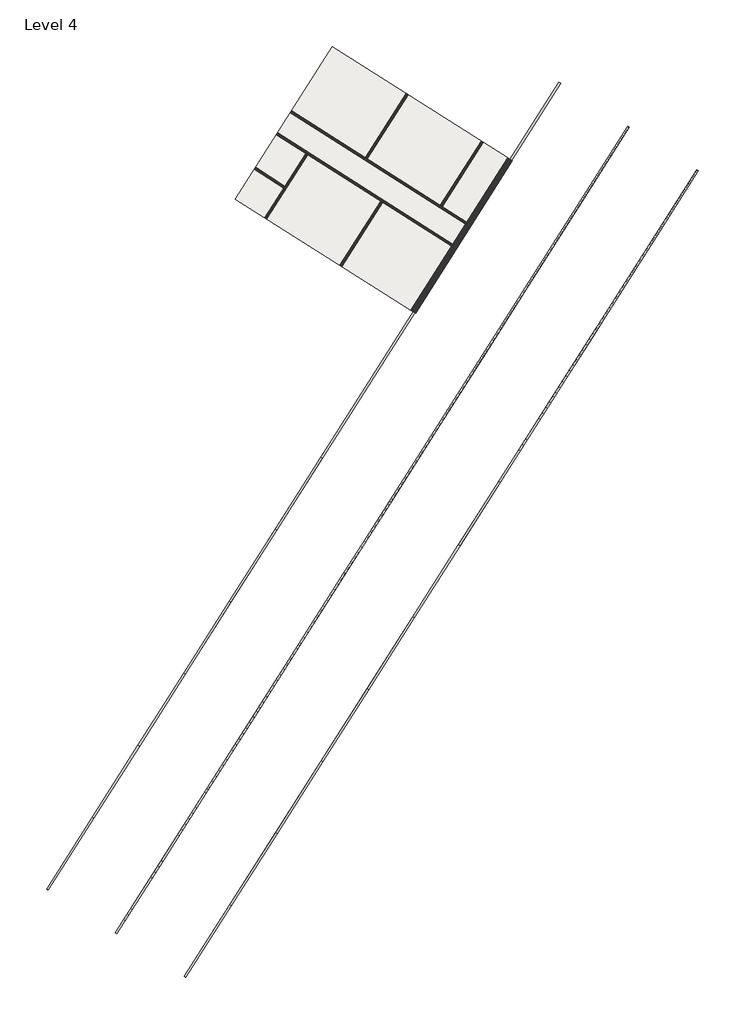
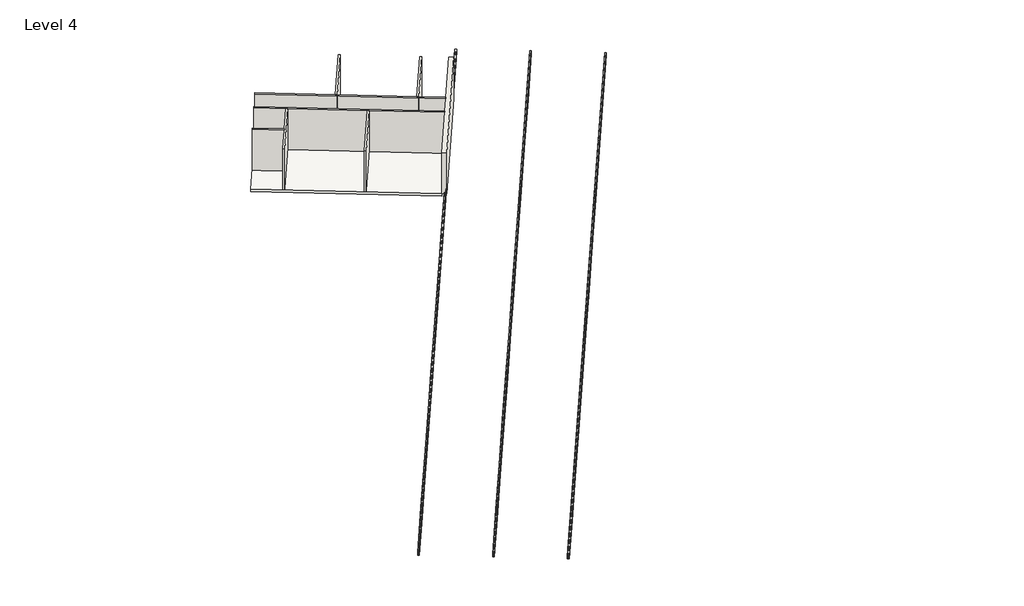
# One storey: 39 beams, 8 walls, 1 slab.
"""IFC4 building model written with IfcOpenShell, lengths in millimetres."""

import ifcopenshell
import ifcopenshell.guid

model = None  # the IFC model being written
_history = None  # IfcOwnerHistory: only IFC2X3 demands one
_inside = {}  # id of a spatial element -> (the spatial element, [elements in it])
_under = {}  # id of a project, library or spatial element -> (it, [spatial elements below it])
_declared = {}  # id of a project -> (the project, [libraries it declares])
_typed = {}  # id of a type object -> (the type object, [elements of that type])
_made_of = {}  # id of a material, layer set ... -> (it, [elements and type objects made of it])


def new_model(schema):
    """Start an empty IFC model of exactly this schema.

    Asked for "IFC4X3", IfcOpenShell would pick the latest addendum, in which some entities
    have other attributes; the version numbers below select the first issue.
    IFC2X3 requires an IfcOwnerHistory on every rooted entity: one is made here for all.
    """
    global model, _history
    if schema == "IFC4X3":
        model = ifcopenshell.file(schema_version=(4, 3, 0, 0))
    else:
        model = ifcopenshell.file(schema=schema)
    _inside.clear()
    _under.clear()
    _declared.clear()
    _typed.clear()
    _made_of.clear()
    _history = None
    if model.schema == "IFC2X3":
        org = make("IfcOrganization", Name="unknown")
        user = make(
            "IfcPersonAndOrganization",
            ThePerson=make("IfcPerson", FamilyName="unknown"),
            TheOrganization=org,
        )
        app = make(
            "IfcApplication",
            ApplicationDeveloper=org,
            Version="unknown",
            ApplicationFullName="unknown",
            ApplicationIdentifier="unknown",
        )
        _history = make(
            "IfcOwnerHistory",
            OwningUser=user,
            OwningApplication=app,
            ChangeAction="ADDED",
            CreationDate=0,
        )
    return model


def make(cls, **values):
    """One entity of the class cls with the attributes given. An attribute that is None is left unset."""
    return model.create_entity(
        cls, **{name: value for name, value in values.items() if value is not None}
    )


def rooted(cls, **values):
    """An entity with a GlobalId (a new one), such as an element, a storey or a relation."""
    return make(cls, GlobalId=ifcopenshell.guid.new(), OwnerHistory=_history, **values)


def si_unit(unit_type, name, prefix=None):
    """IfcSIUnit, for example si_unit("LENGTHUNIT", "METRE", prefix="MILLI")."""
    return make("IfcSIUnit", UnitType=unit_type, Prefix=prefix, Name=name)


def assignment(units):
    """IfcUnitAssignment: the units of a project."""
    return None if units is None else make("IfcUnitAssignment", Units=units)


def point(xyz):
    """IfcCartesianPoint."""
    return None if xyz is None else make("IfcCartesianPoint", Coordinates=xyz)


def direction(xyz):
    """IfcDirection."""
    return None if xyz is None else make("IfcDirection", DirectionRatios=xyz)


def frame(location, z_axis=None, x_axis=None):
    """IfcAxis2Placement3D, a coordinate frame: its origin and axes. An axis left out is left unset."""
    return make(
        "IfcAxis2Placement3D",
        Location=point(location),
        Axis=direction(z_axis),
        RefDirection=direction(x_axis),
    )


def frame_2d(location, x_axis=None):
    """IfcAxis2Placement2D, a coordinate frame in the plane: its origin and x axis."""
    return make(
        "IfcAxis2Placement2D", Location=point(location), RefDirection=direction(x_axis)
    )


def origin():
    """The frame at (0, 0, 0) with its axes left unset."""
    return frame((0.0, 0.0, 0.0))


def place(relative_to, where):
    """IfcLocalPlacement: puts the frame where relative to a parent placement (None: the world)."""
    return make(
        "IfcLocalPlacement", PlacementRelTo=relative_to, RelativePlacement=where
    )


def context(
    kind, dimensions, precision=None, world=None, true_north=None, identifier=None
):
    """IfcGeometricRepresentationContext, for example the 3D "Model" context."""
    return make(
        "IfcGeometricRepresentationContext",
        ContextIdentifier=identifier,
        ContextType=kind,
        CoordinateSpaceDimension=dimensions,
        Precision=precision,
        WorldCoordinateSystem=world,
        TrueNorth=true_north,
    )


def project(units=None, contexts=None):
    """IfcProject with its units and contexts."""
    return rooted(
        "IfcProject",
        Name="project",
        RepresentationContexts=contexts,
        UnitsInContext=assignment(units),
    )


def spatial(cls, under=None, at=None, **own):
    """A site, building, storey or space (cls), placed at a placement, below another one or the project."""
    s = rooted(cls, ObjectPlacement=at, **own)
    if under is not None:
        _under.setdefault(under.id(), (under, []))[1].append(s)
    return s


def polyline(points):
    """IfcPolyline through the points."""
    return make("IfcPolyline", Points=[point(p) for p in points])


def circle_curve(where, radius):
    """IfcCircle in the frame where."""
    return make("IfcCircle", Position=where, Radius=radius)


def trimmed(basis, trim1, trim2, sense, master):
    """IfcTrimmedCurve: the piece of a basis curve between two trims."""
    return make(
        "IfcTrimmedCurve",
        BasisCurve=basis,
        Trim1=trim1,
        Trim2=trim2,
        SenseAgreement=sense,
        MasterRepresentation=master,
    )


def segment(curve, same_sense, transition):
    """IfcCompositeCurveSegment."""
    return make(
        "IfcCompositeCurveSegment",
        Transition=transition,
        SameSense=same_sense,
        ParentCurve=curve,
    )


def composite_curve(segments, self_intersect=None):
    """IfcCompositeCurve: segments joined end to end."""
    return make("IfcCompositeCurve", Segments=segments, SelfIntersect=self_intersect)


def outline(outer, holes=None, kind="AREA"):
    """IfcArbitraryClosedProfileDef: a profile drawn as a closed curve; with holes, ...WithVoids."""
    if holes is None:
        return make("IfcArbitraryClosedProfileDef", ProfileType=kind, OuterCurve=outer)
    return make(
        "IfcArbitraryProfileDefWithVoids",
        ProfileType=kind,
        OuterCurve=outer,
        InnerCurves=holes,
    )


def extrude(swept, where, along, depth):
    """IfcExtrudedAreaSolid: the profile swept, set in the frame where, extruded along a direction by depth."""
    return make(
        "IfcExtrudedAreaSolid",
        SweptArea=swept,
        Position=where,
        ExtrudedDirection=direction(along),
        Depth=depth,
    )


def faces_of(points, faces, orient=None, outer=None):
    """IfcFace entities. A face is a list of loops; a loop is a list of indices into points, from 0.

    orient and outer hold one flag for each loop. By default every Orientation is true, the
    first loop of a face is its IfcFaceOuterBound and the others are IfcFaceBound.
    """
    made = []
    for i, loops in enumerate(faces):
        bounds = []
        for j, loop in enumerate(loops):
            is_outer = j == 0 if outer is None else outer[i][j]
            bounds.append(
                make(
                    "IfcFaceOuterBound" if is_outer else "IfcFaceBound",
                    Bound=make("IfcPolyLoop", Polygon=[points[k] for k in loop]),
                    Orientation=True if orient is None else orient[i][j],
                )
            )
        made.append(make("IfcFace", Bounds=bounds))
    return made


def faceted_brep(points, faces, orient=None, outer=None, voids=None):
    """IfcFacetedBrep: a solid bounded by flat faces; with voids (closed shells), ...WithVoids."""
    shared = [point(p) for p in points]
    hull = make("IfcClosedShell", CfsFaces=faces_of(shared, faces, orient, outer))
    if voids is None:
        return make("IfcFacetedBrep", Outer=hull)
    return make(
        "IfcFacetedBrepWithVoids",
        Outer=hull,
        Voids=[
            make(cls, CfsFaces=faces_of(shared, fs, o, b)) for cls, fs, o, b in voids
        ],
    )


def shape(context_of_items, identifier, shape_type, items):
    """IfcShapeRepresentation: the items that make up one representation, for example the "Body"."""
    return make(
        "IfcShapeRepresentation",
        ContextOfItems=context_of_items,
        RepresentationIdentifier=identifier,
        RepresentationType=shape_type,
        Items=items,
    )


def source(mapping_origin, context_of_items, identifier, shape_type, items):
    """IfcRepresentationMap: a shape defined once, which mapped items show again and again."""
    return make(
        "IfcRepresentationMap",
        MappingOrigin=mapping_origin,
        MappedRepresentation=shape(context_of_items, identifier, shape_type, items),
    )


def transform(
    local_origin,
    x_axis=None,
    y_axis=None,
    z_axis=None,
    scale=None,
    scale2=None,
    scale3=None,
    uniform=True,
):
    """IfcCartesianTransformationOperator3D, or its non-uniform kind. x_axis, y_axis, z_axis: its Axis1, 2, 3."""
    if uniform:
        return make(
            "IfcCartesianTransformationOperator3D",
            Axis1=direction(x_axis),
            Axis2=direction(y_axis),
            LocalOrigin=point(local_origin),
            Scale=scale,
            Axis3=direction(z_axis),
        )
    return make(
        "IfcCartesianTransformationOperator3DnonUniform",
        Axis1=direction(x_axis),
        Axis2=direction(y_axis),
        LocalOrigin=point(local_origin),
        Scale=scale,
        Axis3=direction(z_axis),
        Scale2=scale2,
        Scale3=scale3,
    )


def mapped(mapping_source, mapping_target):
    """IfcMappedItem: shows the shape of a source again, moved by a transform."""
    return make(
        "IfcMappedItem", MappingSource=mapping_source, MappingTarget=mapping_target
    )


def made_of(thing, what):
    """Note that an element or type object is made of a material, layer set ...; save() writes the relation."""
    if what is not None:
        _made_of.setdefault(what.id(), (what, []))[1].append(thing)
    return thing


def element(
    cls,
    number,
    at=None,
    inside=None,
    cuts=None,
    type_object=None,
    material=None,
    context=None,
    identifier="Body",
    shape_type=None,
    held_by="IfcProductDefinitionShape",
    body=None,
    shapes=None,
    **own,
):
    """One element of the class cls, such as IfcWall. Its Tag is "e" and its number.

    at: its placement. inside: the storey or other place that contains it. cuts: it is an
    opening in that element (IfcRelVoidsElement). A single representation is given by context,
    identifier, shape_type and body (its items); several are given by shapes. held_by: the class
    of the entity that holds the representations. save() writes the other relations.
    """
    e = rooted(cls, Tag="e%d" % number, ObjectPlacement=at, **own)
    if body is not None:
        shapes = [shape(context, identifier, shape_type, body)]
    if shapes is not None:
        e.Representation = make(held_by, Representations=shapes)
    if inside is not None:
        _inside.setdefault(inside.id(), (inside, []))[1].append(e)
    if cuts is not None:
        rooted(
            "IfcRelVoidsElement", RelatingBuildingElement=cuts, RelatedOpeningElement=e
        )
    if type_object is not None:
        _typed.setdefault(type_object.id(), (type_object, []))[1].append(e)
    return made_of(e, material)


def aggregate(whole, parts):
    """IfcRelAggregates: a whole, such as a stair, and the parts it consists of."""
    return rooted("IfcRelAggregates", RelatingObject=whole, RelatedObjects=parts)


def save(model, path):
    """Write the relations noted so far, then the file.

    IfcRelAggregates (storeys below a building ...), IfcRelContainedInSpatialStructure (elements
    in a storey), IfcRelDefinesByType, IfcRelAssociatesMaterial and IfcRelDeclares: one each for
    every whole, place, type object, material and project.
    """
    for whole, parts in _under.values():
        aggregate(whole, parts)
    for where, things in _inside.values():
        rooted(
            "IfcRelContainedInSpatialStructure",
            RelatedElements=things,
            RelatingStructure=where,
        )
    for kind, things in _typed.values():
        rooted("IfcRelDefinesByType", RelatedObjects=things, RelatingType=kind)
    for what, things in _made_of.values():
        rooted("IfcRelAssociatesMaterial", RelatedObjects=things, RelatingMaterial=what)
    for by, libraries in _declared.values():
        rooted("IfcRelDeclares", RelatingContext=by, RelatedDefinitions=libraries)
    model.write(path)


def w_shapes_w12x26_15bb6a58(model_context):
    return source(origin(), model_context, "Body", "SweptSolid", [
        extrude(outline(composite_curve([segment(polyline([(82.423, -145.288), (82.423, -154.94), (-82.423, -154.94), (-82.423, -145.288), (-10.541, -145.288)]), True, "CONTINUOUS"), segment(trimmed(circle_curve(frame_2d((-10.541, -137.668)), 7.62), [point((-10.541, -145.288))], [point((-2.921, -137.668))], True, "CARTESIAN"), True, "CONTINUOUS"), segment(polyline([(-2.921, -137.668), (-2.921, 137.668)]), True, "CONTINUOUS"), segment(trimmed(circle_curve(frame_2d((-10.541, 137.668)), 7.62), [point((-2.921, 137.668))], [point((-10.541, 145.288))], True, "CARTESIAN"), True, "CONTINUOUS"), segment(polyline([(-10.541, 145.288), (-82.423, 145.288), (-82.423, 154.94), (82.423, 154.94), (82.423, 145.288), (10.541, 145.288)]), True, "CONTINUOUS"), segment(trimmed(circle_curve(frame_2d((10.541, 137.668)), 7.62), [point((10.541, 145.288))], [point((2.921, 137.668))], True, "CARTESIAN"), True, "CONTINUOUS"), segment(polyline([(2.921, 137.668), (2.921, -137.668)]), True, "CONTINUOUS"), segment(trimmed(circle_curve(frame_2d((10.541, -137.668)), 7.62), [point((2.921, -137.668))], [point((10.541, -145.288))], True, "CARTESIAN"), True, "CONTINUOUS"), segment(polyline([(10.541, -145.288), (82.423, -145.288)]), True, "CONTINUOUS")], self_intersect=False)), frame((-3810.0, 0.0, 0.0), z_axis=(1.0, 0.0, 0.0), x_axis=(0.0, 1.0, 0.0)), (0.0, 0.0, 1.0), 7620.0),
    ])


def w_shapes_w12x26_39ca322a(model_context):
    return source(origin(), model_context, "Body", "SweptSolid", [
        extrude(outline(composite_curve([segment(polyline([(82.423, -145.288), (82.423, -154.94), (-82.423, -154.94), (-82.423, -145.288), (-10.541, -145.288)]), True, "CONTINUOUS"), segment(trimmed(circle_curve(frame_2d((-10.541, -137.668)), 7.62), [point((-10.541, -145.288))], [point((-2.921, -137.668))], True, "CARTESIAN"), True, "CONTINUOUS"), segment(polyline([(-2.921, -137.668), (-2.921, 137.668)]), True, "CONTINUOUS"), segment(trimmed(circle_curve(frame_2d((-10.541, 137.668)), 7.62), [point((-2.921, 137.668))], [point((-10.541, 145.288))], True, "CARTESIAN"), True, "CONTINUOUS"), segment(polyline([(-10.541, 145.288), (-82.423, 145.288), (-82.423, 154.94), (82.423, 154.94), (82.423, 145.288), (10.541, 145.288)]), True, "CONTINUOUS"), segment(trimmed(circle_curve(frame_2d((10.541, 137.668)), 7.62), [point((10.541, 145.288))], [point((2.921, 137.668))], True, "CARTESIAN"), True, "CONTINUOUS"), segment(polyline([(2.921, 137.668), (2.921, -137.668)]), True, "CONTINUOUS"), segment(trimmed(circle_curve(frame_2d((10.541, -137.668)), 7.62), [point((2.921, -137.668))], [point((10.541, -145.288))], True, "CARTESIAN"), True, "CONTINUOUS"), segment(polyline([(10.541, -145.288), (82.423, -145.288)]), True, "CONTINUOUS")], self_intersect=False)), frame((-3505.2, 0.0, 0.0), z_axis=(1.0, 0.0, 0.0), x_axis=(0.0, 1.0, 0.0)), (0.0, 0.0, 1.0), 7010.4),
    ])


def w_shapes_w12x26_55d035bc(model_context):
    return source(origin(), model_context, "Body", "SweptSolid", [
        extrude(outline(composite_curve([segment(polyline([(82.423, -145.288), (82.423, -154.94), (-82.423, -154.94), (-82.423, -145.288), (-10.541, -145.288)]), True, "CONTINUOUS"), segment(trimmed(circle_curve(frame_2d((-10.541, -137.668)), 7.62), [point((-10.541, -145.288))], [point((-2.921, -137.668))], True, "CARTESIAN"), True, "CONTINUOUS"), segment(polyline([(-2.921, -137.668), (-2.921, 137.668)]), True, "CONTINUOUS"), segment(trimmed(circle_curve(frame_2d((-10.541, 137.668)), 7.62), [point((-2.921, 137.668))], [point((-10.541, 145.288))], True, "CARTESIAN"), True, "CONTINUOUS"), segment(polyline([(-10.541, 145.288), (-82.423, 145.288), (-82.423, 154.94), (82.423, 154.94), (82.423, 145.288), (10.541, 145.288)]), True, "CONTINUOUS"), segment(trimmed(circle_curve(frame_2d((10.541, 137.668)), 7.62), [point((10.541, 145.288))], [point((2.921, 137.668))], True, "CARTESIAN"), True, "CONTINUOUS"), segment(polyline([(2.921, 137.668), (2.921, -137.668)]), True, "CONTINUOUS"), segment(trimmed(circle_curve(frame_2d((10.541, -137.668)), 7.62), [point((2.921, -137.668))], [point((10.541, -145.288))], True, "CARTESIAN"), True, "CONTINUOUS"), segment(polyline([(10.541, -145.288), (82.423, -145.288)]), True, "CONTINUOUS")], self_intersect=False)), frame((-1255.6862414, 0.0, 0.0), z_axis=(1.0, 0.0, 0.0), x_axis=(0.0, 1.0, 0.0)), (0.0, 0.0, 1.0), 2511.3724828),
    ])


def w_shapes_w12x26_8c631c25(model_context):
    return source(origin(), model_context, "Body", "SweptSolid", [
        extrude(outline(composite_curve([segment(polyline([(82.423, -145.288), (82.423, -154.94), (-82.423, -154.94), (-82.423, -145.288), (-10.541, -145.288)]), True, "CONTINUOUS"), segment(trimmed(circle_curve(frame_2d((-10.541, -137.668)), 7.62), [point((-10.541, -145.288))], [point((-2.921, -137.668))], True, "CARTESIAN"), True, "CONTINUOUS"), segment(polyline([(-2.921, -137.668), (-2.921, 137.668)]), True, "CONTINUOUS"), segment(trimmed(circle_curve(frame_2d((-10.541, 137.668)), 7.62), [point((-2.921, 137.668))], [point((-10.541, 145.288))], True, "CARTESIAN"), True, "CONTINUOUS"), segment(polyline([(-10.541, 145.288), (-82.423, 145.288), (-82.423, 154.94), (82.423, 154.94), (82.423, 145.288), (10.541, 145.288)]), True, "CONTINUOUS"), segment(trimmed(circle_curve(frame_2d((10.541, 137.668)), 7.62), [point((10.541, 145.288))], [point((2.921, 137.668))], True, "CARTESIAN"), True, "CONTINUOUS"), segment(polyline([(2.921, 137.668), (2.921, -137.668)]), True, "CONTINUOUS"), segment(trimmed(circle_curve(frame_2d((10.541, -137.668)), 7.62), [point((2.921, -137.668))], [point((10.541, -145.288))], True, "CARTESIAN"), True, "CONTINUOUS"), segment(polyline([(10.541, -145.288), (82.423, -145.288)]), True, "CONTINUOUS")], self_intersect=False)), frame((-3962.4, 0.0, 0.0), z_axis=(1.0, 0.0, 0.0), x_axis=(0.0, 1.0, 0.0)), (0.0, 0.0, 1.0), 7924.8),
    ])


def w_shapes_w12x26_d6ac2c25(model_context):
    return source(origin(), model_context, "Body", "SweptSolid", [
        extrude(outline(composite_curve([segment(polyline([(82.423, -145.288), (82.423, -154.94), (-82.423, -154.94), (-82.423, -145.288), (-10.541, -145.288)]), True, "CONTINUOUS"), segment(trimmed(circle_curve(frame_2d((-10.541, -137.668)), 7.62), [point((-10.541, -145.288))], [point((-2.921, -137.668))], True, "CARTESIAN"), True, "CONTINUOUS"), segment(polyline([(-2.921, -137.668), (-2.921, 137.668)]), True, "CONTINUOUS"), segment(trimmed(circle_curve(frame_2d((-10.541, 137.668)), 7.62), [point((-2.921, 137.668))], [point((-10.541, 145.288))], True, "CARTESIAN"), True, "CONTINUOUS"), segment(polyline([(-10.541, 145.288), (-82.423, 145.288), (-82.423, 154.94), (82.423, 154.94), (82.423, 145.288), (10.541, 145.288)]), True, "CONTINUOUS"), segment(trimmed(circle_curve(frame_2d((10.541, 137.668)), 7.62), [point((10.541, 145.288))], [point((2.921, 137.668))], True, "CARTESIAN"), True, "CONTINUOUS"), segment(polyline([(2.921, 137.668), (2.921, -137.668)]), True, "CONTINUOUS"), segment(trimmed(circle_curve(frame_2d((10.541, -137.668)), 7.62), [point((2.921, -137.668))], [point((10.541, -145.288))], True, "CARTESIAN"), True, "CONTINUOUS"), segment(polyline([(10.541, -145.288), (82.423, -145.288)]), True, "CONTINUOUS")], self_intersect=False)), frame((-42708.4862414, 0.0, 0.0), z_axis=(1.0, 0.0, 0.0), x_axis=(0.0, 1.0, 0.0)), (0.0, 0.0, 1.0), 85416.9724828),
    ])


model = new_model("IFC4")

# Units and contexts
model_context = context("Model", 3, world=origin())
ifc_project = project(units=[si_unit("LENGTHUNIT", "METRE", prefix="MILLI")], contexts=[model_context])

# Site, building, storey
site = spatial("IfcSite", under=ifc_project)
building = spatial("IfcBuilding", under=site)
storey = spatial("IfcBuildingStorey", under=building, Name="Level 4", Elevation=14630.4)

# Beams
placement = place(None, origin())
w_shapes_w12x26_shape = w_shapes_w12x26_15bb6a58(model_context)
element("IfcBeam", 1, ObjectType="W Shapes : W12X26", at=placement, inside=storey, context=model_context, shape_type="MappedRepresentation", body=[
    mapped(w_shapes_w12x26_shape, transform((539786.5245711, 179169.6042116, 14630.4), x_axis=(-0.536235508408265, -0.8440684092667666, 0.0), y_axis=(0.8440684092667666, -0.536235508408265, 0.0), z_axis=(0.0, 0.0, 1.0))),
])
element("IfcBeam", 2, ObjectType="W Shapes : W12X26", at=placement, inside=storey, context=model_context, shape_type="MappedRepresentation", body=[
    mapped(w_shapes_w12x26_shape, transform((543872.6391452, 185601.4054902, 14630.4), x_axis=(-0.536235508408264, -0.8440684092667671, 0.0), y_axis=(0.8440684092667671, -0.536235508408264, 0.0), z_axis=(0.0, 0.0, 1.0))),
])
element("IfcBeam", 3, ObjectType="W Shapes : W12X26", at=placement, inside=storey, context=model_context, shape_type="MappedRepresentation", body=[
    mapped(w_shapes_w12x26_shape, transform((547958.7537192, 192033.2067688, 14630.4), x_axis=(-0.536235508408281, -0.8440684092667563, 0.0), y_axis=(0.8440684092667563, -0.536235508408281, 0.0), z_axis=(0.0, 0.0, 1.0))),
])
element("IfcBeam", 4, ObjectType="W Shapes : W12X26", at=placement, inside=storey, context=model_context, shape_type="MappedRepresentation", body=[
    mapped(w_shapes_w12x26_shape, transform((552044.8682933, 198465.0080474, 14630.4), x_axis=(-0.5362355084082578, -0.8440684092667711, 0.0), y_axis=(0.8440684092667711, -0.5362355084082578, 0.0), z_axis=(0.0, 0.0, 1.0))),
])
element("IfcBeam", 5, ObjectType="W Shapes : W12X26", at=placement, inside=storey, context=model_context, shape_type="MappedRepresentation", body=[
    mapped(w_shapes_w12x26_shape, transform((556130.9828674, 204896.809326, 14630.4), x_axis=(-0.5362355084082746, -0.8440684092667603, 0.0), y_axis=(0.8440684092667603, -0.5362355084082746, 0.0), z_axis=(0.0, 0.0, 1.0))),
])
element("IfcBeam", 6, ObjectType="W Shapes : W12X26", at=placement, inside=storey, context=model_context, shape_type="MappedRepresentation", body=[
    mapped(w_shapes_w12x26_shape, transform((560217.0974414, 211328.6106046, 14630.4), x_axis=(-0.5362355084082643, -0.8440684092667669, 0.0), y_axis=(0.8440684092667669, -0.5362355084082643, 0.0), z_axis=(0.0, 0.0, 1.0))),
])
element("IfcBeam", 7, ObjectType="W Shapes : W12X26", at=placement, inside=storey, context=model_context, shape_type="MappedRepresentation", body=[
    mapped(w_shapes_w12x26_shape, transform((564303.2120155, 217760.4118832, 14630.4), x_axis=(-0.536235508408262, -0.8440684092667683, 0.0), y_axis=(0.8440684092667683, -0.536235508408262, 0.0), z_axis=(0.0, 0.0, 1.0))),
])
element("IfcBeam", 8, ObjectType="W Shapes : W12X26", at=placement, inside=storey, context=model_context, shape_type="MappedRepresentation", body=[
    mapped(w_shapes_w12x26_shape, transform((568389.3265896, 224192.2131618, 14630.4), x_axis=(-0.5362355084082807, -0.8440684092667564, 0.0), y_axis=(0.8440684092667564, -0.5362355084082807, 0.0), z_axis=(0.0, 0.0, 1.0))),
])
element("IfcBeam", 9, ObjectType="W Shapes : W12X26", at=placement, inside=storey, context=model_context, shape_type="MappedRepresentation", body=[
    mapped(w_shapes_w12x26_shape, transform((533633.4346812, 183078.6538208, 14630.4), x_axis=(-0.5362355084082714, -0.8440684092667624, 0.0), y_axis=(0.8440684092667624, -0.5362355084082714, 0.0), z_axis=(0.0, 0.0, 1.0))),
])
element("IfcBeam", 10, ObjectType="W Shapes : W12X26", at=placement, inside=storey, context=model_context, shape_type="MappedRepresentation", body=[
    mapped(w_shapes_w12x26_shape, transform((537719.5492553, 189510.4550994, 14630.4), x_axis=(-0.5362355084082572, -0.8440684092667714, 0.0), y_axis=(0.8440684092667714, -0.5362355084082572, 0.0), z_axis=(0.0, 0.0, 1.0))),
])
element("IfcBeam", 11, ObjectType="W Shapes : W12X26", at=placement, inside=storey, context=model_context, shape_type="MappedRepresentation", body=[
    mapped(w_shapes_w12x26_shape, transform((541805.6638294, 195942.256378, 14630.4), x_axis=(-0.5362355084082748, -0.8440684092667601, 0.0), y_axis=(0.8440684092667601, -0.5362355084082748, 0.0), z_axis=(0.0, 0.0, 1.0))),
])
element("IfcBeam", 12, ObjectType="W Shapes : W12X26", at=placement, inside=storey, context=model_context, shape_type="MappedRepresentation", body=[
    mapped(w_shapes_w12x26_shape, transform((545891.7784034, 202374.0576566, 14630.4), x_axis=(-0.5362355084082623, -0.8440684092667682, 0.0), y_axis=(0.8440684092667682, -0.5362355084082623, 0.0), z_axis=(0.0, 0.0, 1.0))),
])
element("IfcBeam", 13, ObjectType="W Shapes : W12X26", at=placement, inside=storey, context=model_context, shape_type="MappedRepresentation", body=[
    mapped(w_shapes_w12x26_shape, transform((549977.8929775, 208805.8589352, 14630.4), x_axis=(-0.5362355084082746, -0.8440684092667603, 0.0), y_axis=(0.8440684092667603, -0.5362355084082746, 0.0), z_axis=(0.0, 0.0, 1.0))),
])
element("IfcBeam", 14, ObjectType="W Shapes : W12X26", at=placement, inside=storey, context=model_context, shape_type="MappedRepresentation", body=[
    mapped(w_shapes_w12x26_shape, transform((554064.0075516, 215237.6602138, 14630.4), x_axis=(-0.536235508408262, -0.8440684092667683, 0.0), y_axis=(0.8440684092667683, -0.536235508408262, 0.0), z_axis=(0.0, 0.0, 1.0))),
])
element("IfcBeam", 15, ObjectType="W Shapes : W12X26", at=placement, inside=storey, context=model_context, shape_type="MappedRepresentation", body=[
    mapped(w_shapes_w12x26_shape, transform((558150.1221256, 221669.4614924, 14630.4), x_axis=(-0.5362355084082728, -0.8440684092667614, 0.0), y_axis=(0.8440684092667614, -0.5362355084082728, 0.0), z_axis=(0.0, 0.0, 1.0))),
])
element("IfcBeam", 16, ObjectType="W Shapes : W12X26", at=placement, inside=storey, context=model_context, shape_type="MappedRepresentation", body=[
    mapped(w_shapes_w12x26_shape, transform((562236.2366997, 228101.262771, 14630.4), x_axis=(-0.5362355084082743, -0.8440684092667605, 0.0), y_axis=(0.8440684092667605, -0.5362355084082743, 0.0), z_axis=(0.0, 0.0, 1.0))),
])
element("IfcBeam", 17, ObjectType="W Shapes : W12X26", at=placement, inside=storey, context=model_context, shape_type="MappedRepresentation", body=[
    mapped(w_shapes_w12x26_shape, transform((527480.3447913, 186987.7034299, 14630.4), x_axis=(-0.5362355084082673, -0.844068409266765, 0.0), y_axis=(0.844068409266765, -0.5362355084082673, 0.0), z_axis=(0.0, 0.0, 1.0))),
])
element("IfcBeam", 18, ObjectType="W Shapes : W12X26", at=placement, inside=storey, context=model_context, shape_type="MappedRepresentation", body=[
    mapped(w_shapes_w12x26_shape, transform((531566.4593654, 193419.5047086, 14630.4), x_axis=(-0.5362355084082702, -0.8440684092667632, 0.0), y_axis=(0.8440684092667632, -0.5362355084082702, 0.0), z_axis=(0.0, 0.0, 1.0))),
])
element("IfcBeam", 19, ObjectType="W Shapes : W12X26", at=placement, inside=storey, context=model_context, shape_type="MappedRepresentation", body=[
    mapped(w_shapes_w12x26_shape, transform((535652.5739395, 199851.3059872, 14630.4), x_axis=(-0.5362355084082708, -0.8440684092667629, 0.0), y_axis=(0.8440684092667629, -0.5362355084082708, 0.0), z_axis=(0.0, 0.0, 1.0))),
])
element("IfcBeam", 20, ObjectType="W Shapes : W12X26", at=placement, inside=storey, context=model_context, shape_type="MappedRepresentation", body=[
    mapped(w_shapes_w12x26_shape, transform((539738.6885136, 206283.1072658, 14630.4), x_axis=(-0.536235508408262, -0.8440684092667683, 0.0), y_axis=(0.8440684092667683, -0.536235508408262, 0.0), z_axis=(0.0, 0.0, 1.0))),
])
element("IfcBeam", 21, ObjectType="W Shapes : W12X26", at=placement, inside=storey, context=model_context, shape_type="MappedRepresentation", body=[
    mapped(w_shapes_w12x26_shape, transform((543824.8030876, 212714.9085444, 14630.4), x_axis=(-0.5362355084082725, -0.8440684092667616, 0.0), y_axis=(0.8440684092667616, -0.5362355084082725, 0.0), z_axis=(0.0, 0.0, 1.0))),
])
element("IfcBeam", 22, ObjectType="W Shapes : W12X26", at=placement, inside=storey, context=model_context, shape_type="MappedRepresentation", body=[
    mapped(w_shapes_w12x26_shape, transform((547910.9176617, 219146.709823, 14630.4), x_axis=(-0.536235508408264, -0.8440684092667671, 0.0), y_axis=(0.8440684092667671, -0.536235508408264, 0.0), z_axis=(0.0, 0.0, 1.0))),
])
element("IfcBeam", 23, ObjectType="W Shapes : W12X26", at=placement, inside=storey, context=model_context, shape_type="MappedRepresentation", body=[
    mapped(w_shapes_w12x26_shape, transform((551997.0322358, 225578.5111016, 14630.4), x_axis=(-0.5362355084082643, -0.8440684092667669, 0.0), y_axis=(0.8440684092667669, -0.5362355084082643, 0.0), z_axis=(0.0, 0.0, 1.0))),
])
element("IfcBeam", 24, ObjectType="W Shapes : W12X26", at=placement, inside=storey, context=model_context, shape_type="MappedRepresentation", body=[
    mapped(w_shapes_w12x26_shape, transform((556083.1468098, 232010.3123802, 14630.4), x_axis=(-0.5362355084082672, -0.844068409266765, 0.0), y_axis=(0.844068409266765, -0.5362355084082672, 0.0), z_axis=(0.0, 0.0, 1.0))),
])
w_shapes_w12x26_2_shape = w_shapes_w12x26_39ca322a(model_context)
element("IfcBeam", 25, ObjectType="W Shapes : W12X26", at=placement, inside=storey, context=model_context, shape_type="MappedRepresentation", body=[
    mapped(w_shapes_w12x26_2_shape, transform((572311.9965807, 230366.7423893, 14630.4), x_axis=(-0.5362355084082414, -0.8440684092667814, 0.0), y_axis=(0.8440684092667814, -0.5362355084082414, 0.0), z_axis=(0.0, 0.0, 1.0))),
])
element("IfcBeam", 26, ObjectType="W Shapes : W12X26", at=placement, inside=storey, context=model_context, shape_type="MappedRepresentation", body=[
    mapped(w_shapes_w12x26_2_shape, transform((577417.909089, 238403.7697423, 14630.4), x_axis=(-0.5362355084082596, -0.8440684092667698, 0.0), y_axis=(0.8440684092667698, -0.5362355084082596, 0.0), z_axis=(0.0, 0.0, 1.0))),
])
element("IfcBeam", 27, ObjectType="W Shapes : W12X26", at=placement, inside=storey, context=model_context, shape_type="MappedRepresentation", body=[
    mapped(w_shapes_w12x26_2_shape, transform((566158.9066908, 234275.7919985, 14630.4), x_axis=(-0.536235508408267, -0.8440684092667651, 0.0), y_axis=(0.8440684092667651, -0.536235508408267, 0.0), z_axis=(0.0, 0.0, 1.0))),
])
element("IfcBeam", 28, ObjectType="W Shapes : W12X26", at=placement, inside=storey, context=model_context, shape_type="MappedRepresentation", body=[
    mapped(w_shapes_w12x26_2_shape, transform((571264.8191991, 242312.8193515, 14630.4), x_axis=(-0.5362355084082596, -0.8440684092667698, 0.0), y_axis=(0.8440684092667698, -0.5362355084082596, 0.0), z_axis=(0.0, 0.0, 1.0))),
])
element("IfcBeam", 29, ObjectType="W Shapes : W12X26", at=placement, inside=storey, context=model_context, shape_type="MappedRepresentation", body=[
    mapped(w_shapes_w12x26_2_shape, transform((560005.816801, 238184.8416077, 14630.4), x_axis=(-0.5362355084082725, -0.8440684092667616, 0.0), y_axis=(0.8440684092667616, -0.5362355084082725, 0.0), z_axis=(0.0, 0.0, 1.0))),
])
element("IfcBeam", 30, ObjectType="W Shapes : W12X26", at=placement, inside=storey, context=model_context, shape_type="MappedRepresentation", body=[
    mapped(w_shapes_w12x26_2_shape, transform((565111.7293092, 246221.8689607, 14630.4), x_axis=(-0.5362355084082759, -0.8440684092667594, 0.0), y_axis=(0.8440684092667594, -0.5362355084082759, 0.0), z_axis=(0.0, 0.0, 1.0))),
])
w_shapes_w12x26_3_shape = w_shapes_w12x26_55d035bc(model_context)
element("IfcBeam", 31, ObjectType="W Shapes : W12X26", at=placement, inside=storey, context=model_context, shape_type="MappedRepresentation", body=[
    mapped(w_shapes_w12x26_3_shape, transform((574864.9528348, 234385.2560658, 14630.4), x_axis=(-0.5362355084083161, -0.844068409266734, 0.0), y_axis=(0.844068409266734, -0.5362355084083161, 0.0), z_axis=(0.0, 0.0, 1.0))),
])
element("IfcBeam", 32, ObjectType="W Shapes : W12X26", at=placement, inside=storey, context=model_context, shape_type="MappedRepresentation", body=[
    mapped(w_shapes_w12x26_3_shape, transform((568711.862945, 238294.305675, 14630.4), x_axis=(-0.5362355084082643, -0.8440684092667669, 0.0), y_axis=(0.8440684092667669, -0.5362355084082643, 0.0), z_axis=(0.0, 0.0, 1.0))),
])
element("IfcBeam", 33, ObjectType="W Shapes : W12X26", at=placement, inside=storey, context=model_context, shape_type="MappedRepresentation", body=[
    mapped(w_shapes_w12x26_3_shape, transform((562558.7730551, 242203.3552842, 14630.4), x_axis=(-0.5362355084082705, -0.8440684092667629, 0.0), y_axis=(0.8440684092667629, -0.5362355084082705, 0.0), z_axis=(0.0, 0.0, 1.0))),
])
w_shapes_w12x26_4_shape = w_shapes_w12x26_8c631c25(model_context)
element("IfcBeam", 34, ObjectType="W Shapes : W12X26", at=placement, inside=storey, context=model_context, shape_type="MappedRepresentation", body=[
    mapped(w_shapes_w12x26_4_shape, transform((581422.3013716, 244706.9349953, 14630.4), x_axis=(-0.5362355084082792, -0.8440684092667575, 0.0), y_axis=(0.8440684092667575, -0.5362355084082792, 0.0), z_axis=(0.0, 0.0, 1.0))),
])
element("IfcBeam", 35, ObjectType="W Shapes : W12X26", at=placement, inside=storey, context=model_context, shape_type="MappedRepresentation", body=[
    mapped(w_shapes_w12x26_4_shape, transform((575269.2114817, 248615.9846045, 14630.4), x_axis=(-0.5362355084082812, -0.8440684092667563, 0.0), y_axis=(0.8440684092667563, -0.5362355084082812, 0.0), z_axis=(0.0, 0.0, 1.0))),
])
element("IfcBeam", 36, ObjectType="W Shapes : W12X26", at=placement, inside=storey, context=model_context, shape_type="MappedRepresentation", body=[
    mapped(w_shapes_w12x26_4_shape, transform((569116.1215918, 252525.0342137, 14630.4), x_axis=(-0.5362355084082542, -0.8440684092667734, 0.0), y_axis=(0.8440684092667734, -0.5362355084082542, 0.0), z_axis=(0.0, 0.0, 1.0))),
])
w_shapes_w12x26_5_shape = w_shapes_w12x26_d6ac2c25(model_context)
element("IfcBeam", 37, ObjectType="W Shapes : W12X26", at=placement, inside=storey, context=model_context, shape_type="MappedRepresentation", body=[
    mapped(w_shapes_w12x26_5_shape, transform((560645.2741171, 212002.5876162, 14630.4), x_axis=(0.5362355084082681, 0.8440684092667645, 0.0), y_axis=(-0.8440684092667645, 0.5362355084082681, 0.0), z_axis=(0.0, 0.0, 1.0))),
])
element("IfcBeam", 38, ObjectType="W Shapes : W12X26", at=placement, inside=storey, context=model_context, shape_type="MappedRepresentation", body=[
    mapped(w_shapes_w12x26_5_shape, transform((554492.1842272, 215911.6372254, 14630.4), x_axis=(0.5362355084082688, 0.844068409266764, 0.0), y_axis=(-0.844068409266764, 0.5362355084082688, 0.0), z_axis=(0.0, 0.0, 1.0))),
])
element("IfcBeam", 39, ObjectType="W Shapes : W12X26", at=placement, inside=storey, context=model_context, shape_type="MappedRepresentation", body=[
    mapped(w_shapes_w12x26_5_shape, transform((548339.0943373, 219820.6868346, 14630.4), x_axis=(0.5362355084082673, 0.844068409266765, 0.0), y_axis=(-0.844068409266765, 0.5362355084082673, 0.0), z_axis=(0.0, 0.0, 1.0))),
])

# Slab
element("IfcSlab", 40, ObjectType="Generic - 12\"", at=placement, inside=storey, context=model_context, shape_type="SweptSolid", body=[
    extrude(outline(polyline([(566597.0857134, 249163.9606719), (557934.5228164, 235528.5419613), (542257.7475302, 245487.9759046), (550920.3104272, 259123.3946153), (566597.0857134, 249163.9606719)])), frame((0.0, 0.0, 14325.6), z_axis=(0.0, 0.0, 1.0), x_axis=(1.0, 0.0, 0.0)), (0.0, 0.0, 1.0), 304.8),
])

# Walls
element("IfcWall", 41, ObjectType="Generic - 191/2\" Exterior", at=placement, inside=storey, context=model_context, shape_type="Brep", body=[
    faceted_brep([(558352.5898995, 235262.944514, 14630.4), (567015.1527965, 248898.3632246, 14630.4), (567015.1527965, 248898.3632246, 19507.2), (558352.5898995, 235262.944514, 19507.2), (557934.5228164, 235528.5419613, 14630.4), (557934.5228164, 235528.5419613, 19507.2), (561584.7851692, 241274.2844368, 19507.2), (561693.7482245, 241445.7991376, 19507.2), (562837.8603052, 243246.7034956, 19507.2), (562946.8233605, 243418.2181964, 19507.2), (566597.0857134, 249163.9606719, 19507.2), (566597.0857134, 249163.9606719, 14630.4), (562946.8233605, 243418.2181964, 14630.4), (562837.8603052, 243246.7034956, 14630.4), (561693.7482245, 241445.7991376, 14630.4), (561584.7851692, 241274.2844368, 14630.4)], [[[0, 1, 2, 3]], [[4, 5, 6, 7, 8, 9, 10, 11, 12, 13, 14, 15]], [[1, 0, 4, 15, 14, 13, 12, 11]], [[3, 2, 10, 9, 8, 7, 6, 5]], [[2, 1, 11, 10]], [[0, 3, 5, 4]]]),
])
element("IfcWall", 42, ObjectType="Generic - 8\"", at=placement, inside=storey, context=model_context, shape_type="Brep", body=[
    faceted_brep([(545908.009883, 251233.7183802, 14630.4), (548538.9482424, 249562.2868312, 14630.4), (548710.4629432, 249453.3237759, 14630.4), (555228.0215722, 245312.7276742, 14630.4), (555399.5362729, 245203.7646189, 14630.4), (561584.7851692, 241274.2844368, 14630.4), (561584.7851692, 241274.2844368, 19507.2), (555399.5362729, 245203.7646189, 19507.2), (555228.0215722, 245312.7276742, 19507.2), (548710.4629432, 249453.3237759, 19507.2), (548538.9482424, 249562.2868312, 19507.2), (545908.009883, 251233.7183802, 19507.2), (546016.9729383, 251405.233081, 14630.4), (546016.9729383, 251405.233081, 19507.2), (561693.7482245, 241445.7991376, 19507.2), (561693.7482245, 241445.7991376, 14630.4)], [[[0, 1, 2, 3, 4, 5, 6, 7, 8, 9, 10, 11]], [[12, 13, 14, 15]], [[5, 4, 3, 2, 1, 0, 12, 15]], [[11, 10, 9, 8, 7, 6, 14, 13]], [[0, 11, 13, 12]], [[6, 5, 15, 14]]]),
])
element("IfcWall", 43, ObjectType="Generic - 8\"", at=placement, inside=storey, context=model_context, shape_type="Brep", body=[
    faceted_brep([(562946.8233605, 243418.2181964, 14630.4), (560733.9520843, 244824.052298, 14630.4), (560562.4373835, 244933.0153533, 14630.4), (554044.8787545, 249073.611455, 14630.4), (553873.3640538, 249182.5745103, 14630.4), (547270.0480744, 253377.6521397, 14630.4), (547270.0480744, 253377.6521397, 19507.2), (553873.3640538, 249182.5745103, 19507.2), (554044.8787545, 249073.611455, 19507.2), (560562.4373835, 244933.0153533, 19507.2), (560733.9520843, 244824.052298, 19507.2), (562946.8233605, 243418.2181964, 19507.2), (562837.8603052, 243246.7034956, 14630.4), (562837.8603052, 243246.7034956, 19507.2), (547161.0850191, 253206.137439, 19507.2), (547161.0850191, 253206.137439, 14630.4)], [[[0, 1, 2, 3, 4, 5, 6, 7, 8, 9, 10, 11]], [[12, 13, 14, 15]], [[5, 4, 3, 2, 1, 0, 12, 15]], [[11, 10, 9, 8, 7, 6, 14, 13]], [[6, 5, 15, 14]], [[0, 11, 13, 12]]]),
])
element("IfcWall", 44, ObjectType="Generic - 8\"", at=placement, inside=storey, context=model_context, shape_type="Brep", body=[
    faceted_brep([(548538.9482424, 249562.2868312, 14630.4), (546683.0723074, 246641.0214101, 14630.4), (546574.1092521, 246469.5067094, 14630.4), (544888.6858896, 243816.5443557, 14630.4), (544888.6858896, 243816.5443557, 19507.2), (546574.1092521, 246469.5067094, 19507.2), (546683.0723074, 246641.0214101, 19507.2), (548538.9482424, 249562.2868312, 19507.2), (548710.4629432, 249453.3237759, 14630.4), (548710.4629432, 249453.3237759, 19507.2), (545060.2005903, 243707.5813004, 19507.2), (545060.2005903, 243707.5813004, 14630.4)], [[[0, 1, 2, 3, 4, 5, 6, 7]], [[8, 9, 10, 11]], [[3, 2, 1, 0, 8, 11]], [[7, 6, 5, 4, 10, 9]], [[0, 7, 9, 8]], [[4, 3, 11, 10]]]),
])
element("IfcWall", 45, ObjectType="Generic - 8\"", at=placement, inside=storey, context=model_context, shape_type="SweptSolid", body=[
    extrude(outline(polyline([(544052.133948, 248312.4529591), (546683.0723074, 246641.0214101), (546574.1092521, 246469.5067094), (543943.1708927, 248140.9382583), (544052.133948, 248312.4529591)])), frame((0.0, 0.0, 14630.4), z_axis=(0.0, 0.0, 1.0), x_axis=(1.0, 0.0, 0.0)), (0.0, 0.0, 1.0), 4876.8),
])
element("IfcWall", 46, ObjectType="Generic - 8\"", at=placement, inside=storey, context=model_context, shape_type="SweptSolid", body=[
    extrude(outline(polyline([(555399.5362729, 245203.7646189), (551749.2739201, 239458.0221433), (551577.7592193, 239566.9851986), (555228.0215722, 245312.7276742), (555399.5362729, 245203.7646189)])), frame((0.0, 0.0, 14630.4), z_axis=(0.0, 0.0, 1.0), x_axis=(1.0, 0.0, 0.0)), (0.0, 0.0, 1.0), 4876.8),
])
element("IfcWall", 47, ObjectType="Generic - 8\"", at=placement, inside=storey, context=model_context, shape_type="SweptSolid", body=[
    extrude(outline(polyline([(557695.1411074, 254819.3539306), (554044.8787545, 249073.611455), (553873.3640538, 249182.5745103), (557523.6264066, 254928.3169859), (557695.1411074, 254819.3539306)])), frame((0.0, 0.0, 14630.4), z_axis=(0.0, 0.0, 1.0), x_axis=(1.0, 0.0, 0.0)), (0.0, 0.0, 1.0), 4876.8),
])
element("IfcWall", 48, ObjectType="Generic - 8\"", at=placement, inside=storey, context=model_context, shape_type="SweptSolid", body=[
    extrude(outline(polyline([(564384.2144371, 250569.7947736), (560733.9520843, 244824.052298), (560562.4373835, 244933.0153533), (564212.6997364, 250678.7578289), (564384.2144371, 250569.7947736)])), frame((0.0, 0.0, 14630.4), z_axis=(0.0, 0.0, 1.0), x_axis=(1.0, 0.0, 0.0)), (0.0, 0.0, 1.0), 4876.8),
])

save(model, "model.ifc")
